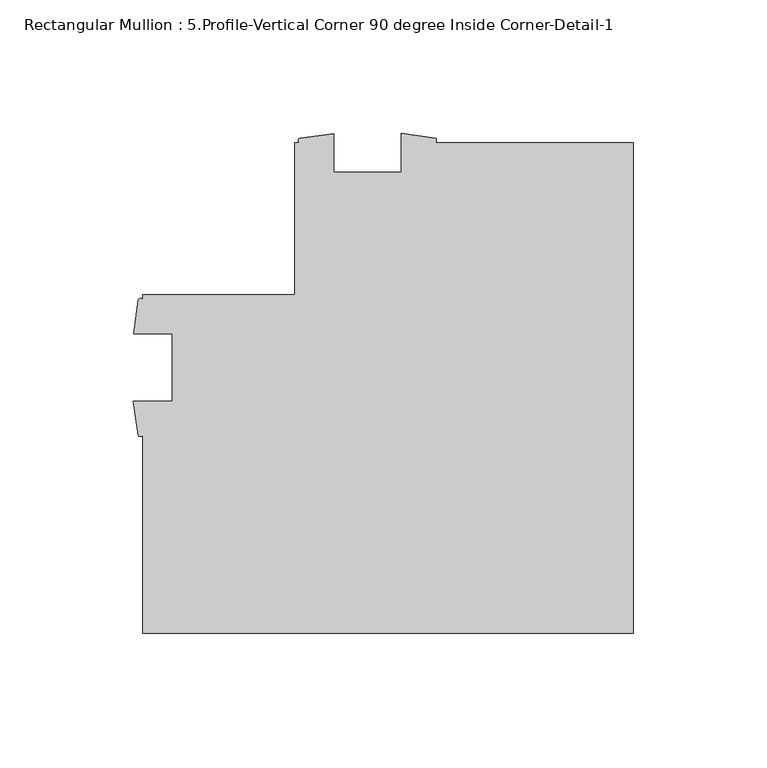
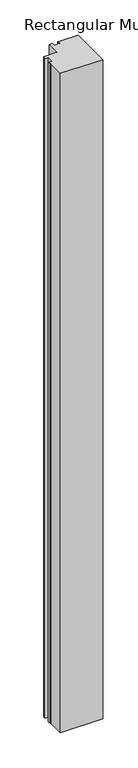
"""IFC4 building model written with IfcOpenShell, lengths in millimetres: member geometry, Rectangular Mullion : 5.Profile-Vertical Corner 90 degree Inside Corner-Detail-1."""

from ifc_helpers import new_model, si_unit, point, frame, frame_2d, origin, place, context, project, spatial, polyline, circle_curve, trimmed, segment, composite_curve, outline, extrude, source, transform, mapped, element, save


def rectangular_mullion_5_profile_vertical_corner_90_degree_66d477d8(model_context):
    return source(origin(), model_context, "Body", "SweptSolid", [
        extrude(outline(composite_curve([segment(polyline([(0.0, 57.15), (0.0, -127.0), (-184.15, -127.0), (-184.15, -52.6765778)]), True, "CONTINUOUS"), segment(trimmed(circle_curve(frame_2d((-184.9817022, -52.1221244)), 0.9995735), [point((-184.15, -52.6765778))], [point((-185.8134044, -52.6765778))], False, "CARTESIAN"), True, "CONTINUOUS"), segment(polyline([(-185.8134044, -52.6765778), (-187.6695217, -39.903525), (-173.0375, -39.903525), (-173.0375, -14.503525), (-187.546, -14.503525), (-185.7358963, -1.7322375)]), True, "CONTINUOUS"), segment(trimmed(circle_curve(frame_2d((-184.9429481, -2.2316771)), 0.9371268), [point((-185.7358963, -1.7322375))], [point((-184.15, -1.7322375))], False, "CARTESIAN"), True, "CONTINUOUS"), segment(polyline([(-184.15, -1.7322375), (-184.15, 0.0), (-127.0, 0.0), (-127.0, 57.15), (-125.196475, 57.15)]), True, "CONTINUOUS"), segment(trimmed(circle_curve(frame_2d((-124.8409453, 57.948)), 0.8736162), [point((-125.196475, 57.15))], [point((-125.196475, 58.746))], False, "CARTESIAN"), True, "CONTINUOUS"), segment(polyline([(-125.196475, 58.746), (-112.496475, 60.546), (-112.496475, 46.0375), (-87.096475, 46.0375), (-87.096475, 60.6695217), (-74.3234222, 58.8134044)]), True, "CONTINUOUS"), segment(trimmed(circle_curve(frame_2d((-74.87765, 57.9817022)), 0.9994483), [point((-74.3234222, 58.8134044))], [point((-74.3234222, 57.15))], False, "CARTESIAN"), True, "CONTINUOUS"), segment(polyline([(-74.3234222, 57.15), (0.0, 57.15)]), True, "CONTINUOUS")], self_intersect=False)), frame((0.0, 0.0, -3048.0), z_axis=(0.0, 0.0, 1.0), x_axis=(1.0, 0.0, 0.0)), (0.0, 0.0, 1.0), 3048.0),
    ])


if __name__ == "__main__":
    model = new_model("IFC4")
    model_context = context("Model", 3, world=origin())
    ifc_project = project(units=[si_unit("LENGTHUNIT", "METRE", prefix="MILLI")], contexts=[model_context])
    site = spatial("IfcSite", under=ifc_project)
    building = spatial("IfcBuilding", under=site)
    placement = place(None, origin())
    rectangular_mullion_5_profile_vertical_corner_90_degree_shape = rectangular_mullion_5_profile_vertical_corner_90_degree_66d477d8(model_context)
    element("IfcMember", 1, ObjectType="Rectangular Mullion : 5.Profile-Vertical Corner 90 degree Inside Corner-Detail-1", at=placement, inside=building, context=model_context, shape_type="MappedRepresentation", body=[
        mapped(rectangular_mullion_5_profile_vertical_corner_90_degree_shape, transform((0.0, 0.0, 0.0), x_axis=(1.0, 0.0, 0.0), y_axis=(0.0, 1.0, 0.0), z_axis=(0.0, 0.0, 1.0))),
    ])
    save(model, "model.ifc")
